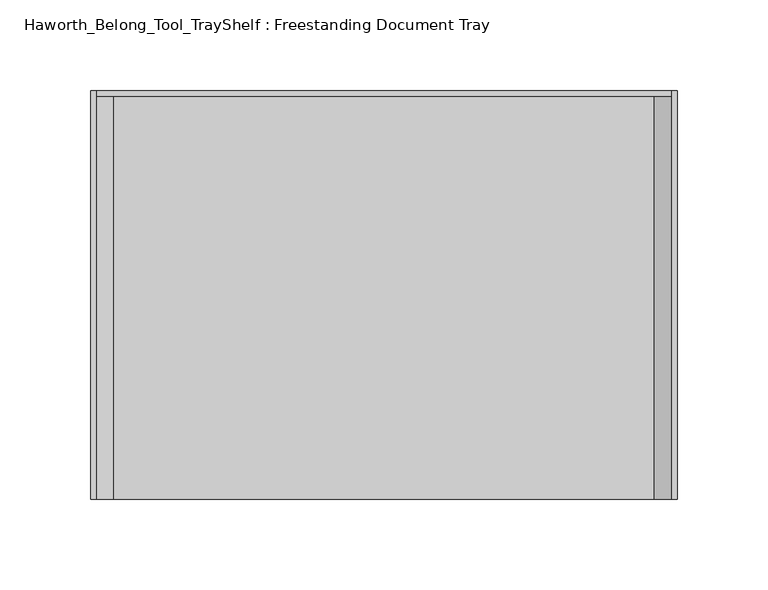
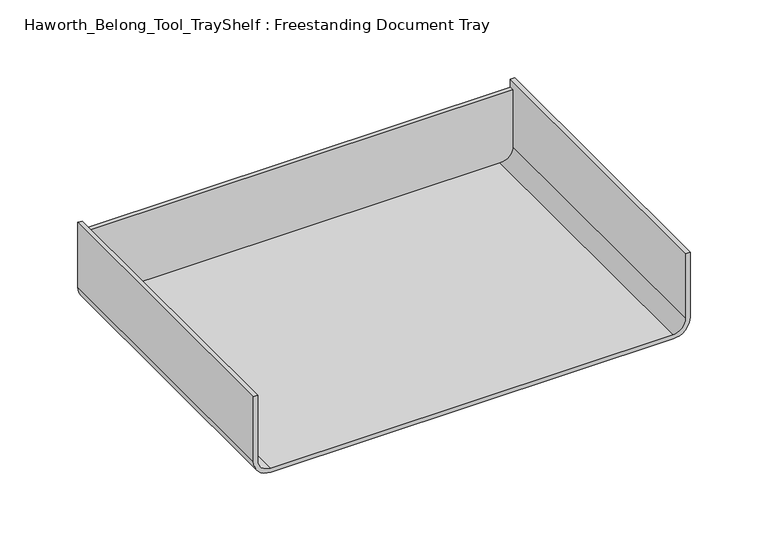
"""IFC4 building model written with IfcOpenShell, lengths in millimetres: furniture geometry, Haworth_Belong_Tool_TrayShelf : Freestanding Document Tray."""

from ifc_helpers import new_model, si_unit, point, frame, frame_2d, origin, place, context, project, spatial, polyline, circle_curve, trimmed, segment, composite_curve, outline, extrude, source, transform, mapped, element, save


def haworth_belong_tool_trayshelf_freestanding_document_tray_ed8c1444(model_context):
    return source(origin(), model_context, "Body", "SweptSolid", [
        extrude(outline(composite_curve([segment(polyline([(57.15, 323.85), (57.15, 6.35), (12.7, 6.35)]), True, "CONTINUOUS"), segment(trimmed(circle_curve(frame_2d((12.7, 15.875)), 9.525), [point((12.7, 6.35))], [point((3.175, 15.875))], False, "CARTESIAN"), True, "CONTINUOUS"), segment(polyline([(3.175, 15.875), (3.175, 314.325)]), True, "CONTINUOUS"), segment(trimmed(circle_curve(frame_2d((12.7, 314.325)), 9.525), [point((3.175, 314.325))], [point((12.7, 323.85))], False, "CARTESIAN"), True, "CONTINUOUS"), segment(polyline([(12.7, 323.85), (57.15, 323.85)]), True, "CONTINUOUS")], self_intersect=False)), frame((0.0, -3.175, 0.0), z_axis=(0.0, 1.0, 0.0), x_axis=(0.0, 0.0, 1.0)), (0.0, 0.0, 1.0), 3.175),
        extrude(outline(composite_curve([segment(polyline([(63.5, 3.175), (12.7, 3.175)]), True, "CONTINUOUS"), segment(trimmed(circle_curve(frame_2d((12.7, 15.875)), 12.7), [point((12.7, 3.175))], [point((0.0, 15.875))], False, "CARTESIAN"), True, "CONTINUOUS"), segment(polyline([(0.0, 15.875), (0.0, 314.325)]), True, "CONTINUOUS"), segment(trimmed(circle_curve(frame_2d((12.7, 314.325)), 12.7), [point((0.0, 314.325))], [point((12.7, 327.025))], False, "CARTESIAN"), True, "CONTINUOUS"), segment(polyline([(12.7, 327.025), (63.5, 327.025), (63.5, 323.85), (12.7, 323.85)]), True, "CONTINUOUS"), segment(trimmed(circle_curve(frame_2d((12.7, 314.325)), 9.525), [point((12.7, 323.85))], [point((3.175, 314.325))], True, "CARTESIAN"), True, "CONTINUOUS"), segment(polyline([(3.175, 314.325), (3.175, 15.875)]), True, "CONTINUOUS"), segment(trimmed(circle_curve(frame_2d((12.7, 15.875)), 9.525), [point((3.175, 15.875))], [point((12.7, 6.35))], True, "CARTESIAN"), True, "CONTINUOUS"), segment(polyline([(12.7, 6.35), (63.5, 6.35), (63.5, 3.175)]), True, "CONTINUOUS")], self_intersect=False)), frame((0.0, -225.425, 0.0), z_axis=(0.0, 1.0, 0.0), x_axis=(0.0, 0.0, 1.0)), (0.0, 0.0, 1.0), 225.425),
    ])


if __name__ == "__main__":
    model = new_model("IFC4")
    model_context = context("Model", 3, world=origin())
    ifc_project = project(units=[si_unit("LENGTHUNIT", "METRE", prefix="MILLI")], contexts=[model_context])
    site = spatial("IfcSite", under=ifc_project)
    building = spatial("IfcBuilding", under=site)
    placement = place(None, origin())
    haworth_belong_tool_trayshelf_freestanding_document_tray_shape = haworth_belong_tool_trayshelf_freestanding_document_tray_ed8c1444(model_context)
    element("IfcFurniture", 1, ObjectType="Haworth_Belong_Tool_TrayShelf : Freestanding Document Tray", at=placement, inside=building, context=model_context, shape_type="MappedRepresentation", body=[
        mapped(haworth_belong_tool_trayshelf_freestanding_document_tray_shape, transform((0.0, 0.0, 0.0), x_axis=(1.0, 0.0, 0.0), y_axis=(0.0, 1.0, 0.0), z_axis=(0.0, 0.0, 1.0))),
    ])
    save(model, "model.ifc")
